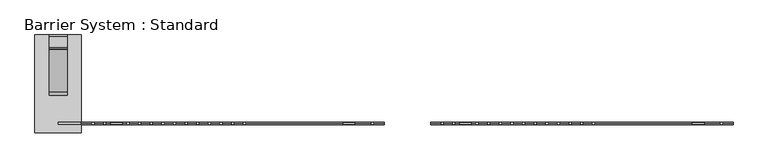
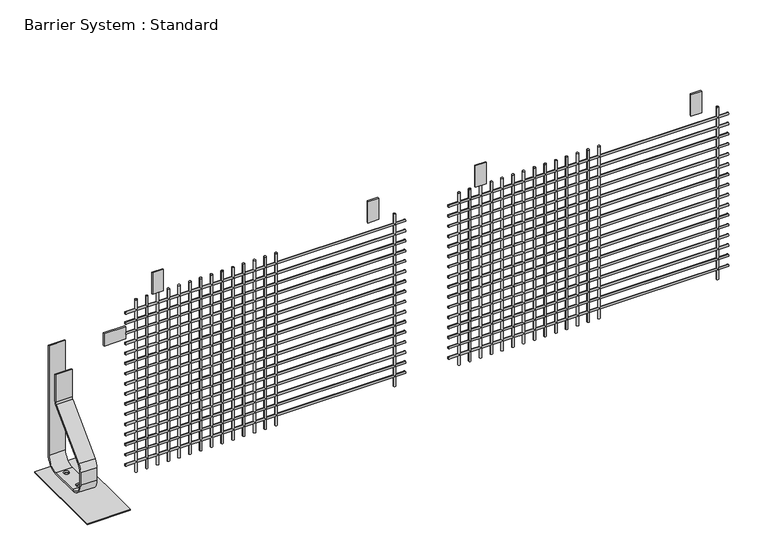
"""IFC4 building model written with IfcOpenShell, lengths in millimetres: proxy geometry, Barrier System : Standard."""

import ifcopenshell
import ifcopenshell.guid

model = None  # the IFC model being written
_history = None  # IfcOwnerHistory: only IFC2X3 demands one
_inside = {}  # id of a spatial element -> (the spatial element, [elements in it])
_under = {}  # id of a project, library or spatial element -> (it, [spatial elements below it])
_declared = {}  # id of a project -> (the project, [libraries it declares])
_typed = {}  # id of a type object -> (the type object, [elements of that type])
_made_of = {}  # id of a material, layer set ... -> (it, [elements and type objects made of it])


def new_model(schema):
    """Start an empty IFC model of exactly this schema.

    Asked for "IFC4X3", IfcOpenShell would pick the latest addendum, in which some entities
    have other attributes; the version numbers below select the first issue.
    IFC2X3 requires an IfcOwnerHistory on every rooted entity: one is made here for all.
    """
    global model, _history
    if schema == "IFC4X3":
        model = ifcopenshell.file(schema_version=(4, 3, 0, 0))
    else:
        model = ifcopenshell.file(schema=schema)
    _inside.clear()
    _under.clear()
    _declared.clear()
    _typed.clear()
    _made_of.clear()
    _history = None
    if model.schema == "IFC2X3":
        org = make("IfcOrganization", Name="unknown")
        user = make(
            "IfcPersonAndOrganization",
            ThePerson=make("IfcPerson", FamilyName="unknown"),
            TheOrganization=org,
        )
        app = make(
            "IfcApplication",
            ApplicationDeveloper=org,
            Version="unknown",
            ApplicationFullName="unknown",
            ApplicationIdentifier="unknown",
        )
        _history = make(
            "IfcOwnerHistory",
            OwningUser=user,
            OwningApplication=app,
            ChangeAction="ADDED",
            CreationDate=0,
        )
    return model


def make(cls, **values):
    """One entity of the class cls with the attributes given. An attribute that is None is left unset."""
    return model.create_entity(
        cls, **{name: value for name, value in values.items() if value is not None}
    )


def rooted(cls, **values):
    """An entity with a GlobalId (a new one), such as an element, a storey or a relation."""
    return make(cls, GlobalId=ifcopenshell.guid.new(), OwnerHistory=_history, **values)


def si_unit(unit_type, name, prefix=None):
    """IfcSIUnit, for example si_unit("LENGTHUNIT", "METRE", prefix="MILLI")."""
    return make("IfcSIUnit", UnitType=unit_type, Prefix=prefix, Name=name)


def assignment(units):
    """IfcUnitAssignment: the units of a project."""
    return None if units is None else make("IfcUnitAssignment", Units=units)


def point(xyz):
    """IfcCartesianPoint."""
    return None if xyz is None else make("IfcCartesianPoint", Coordinates=xyz)


def direction(xyz):
    """IfcDirection."""
    return None if xyz is None else make("IfcDirection", DirectionRatios=xyz)


def frame(location, z_axis=None, x_axis=None):
    """IfcAxis2Placement3D, a coordinate frame: its origin and axes. An axis left out is left unset."""
    return make(
        "IfcAxis2Placement3D",
        Location=point(location),
        Axis=direction(z_axis),
        RefDirection=direction(x_axis),
    )


def frame_2d(location, x_axis=None):
    """IfcAxis2Placement2D, a coordinate frame in the plane: its origin and x axis."""
    return make(
        "IfcAxis2Placement2D", Location=point(location), RefDirection=direction(x_axis)
    )


def origin():
    """The frame at (0, 0, 0) with its axes left unset."""
    return frame((0.0, 0.0, 0.0))


def origin_with_axes():
    """The frame at (0, 0, 0) with the z axis (0, 0, 1) and the x axis (1, 0, 0) written out."""
    return frame((0.0, 0.0, 0.0), z_axis=(0.0, 0.0, 1.0), x_axis=(1.0, 0.0, 0.0))


def place(relative_to, where):
    """IfcLocalPlacement: puts the frame where relative to a parent placement (None: the world)."""
    return make(
        "IfcLocalPlacement", PlacementRelTo=relative_to, RelativePlacement=where
    )


def context(
    kind, dimensions, precision=None, world=None, true_north=None, identifier=None
):
    """IfcGeometricRepresentationContext, for example the 3D "Model" context."""
    return make(
        "IfcGeometricRepresentationContext",
        ContextIdentifier=identifier,
        ContextType=kind,
        CoordinateSpaceDimension=dimensions,
        Precision=precision,
        WorldCoordinateSystem=world,
        TrueNorth=true_north,
    )


def project(units=None, contexts=None):
    """IfcProject with its units and contexts."""
    return rooted(
        "IfcProject",
        Name="project",
        RepresentationContexts=contexts,
        UnitsInContext=assignment(units),
    )


def spatial(cls, under=None, at=None, **own):
    """A site, building, storey or space (cls), placed at a placement, below another one or the project."""
    s = rooted(cls, ObjectPlacement=at, **own)
    if under is not None:
        _under.setdefault(under.id(), (under, []))[1].append(s)
    return s


def polyline(points):
    """IfcPolyline through the points."""
    return make("IfcPolyline", Points=[point(p) for p in points])


def circle_curve(where, radius):
    """IfcCircle in the frame where."""
    return make("IfcCircle", Position=where, Radius=radius)


def trimmed(basis, trim1, trim2, sense, master):
    """IfcTrimmedCurve: the piece of a basis curve between two trims."""
    return make(
        "IfcTrimmedCurve",
        BasisCurve=basis,
        Trim1=trim1,
        Trim2=trim2,
        SenseAgreement=sense,
        MasterRepresentation=master,
    )


def segment(curve, same_sense, transition):
    """IfcCompositeCurveSegment."""
    return make(
        "IfcCompositeCurveSegment",
        Transition=transition,
        SameSense=same_sense,
        ParentCurve=curve,
    )


def composite_curve(segments, self_intersect=None):
    """IfcCompositeCurve: segments joined end to end."""
    return make("IfcCompositeCurve", Segments=segments, SelfIntersect=self_intersect)


def outline(outer, holes=None, kind="AREA"):
    """IfcArbitraryClosedProfileDef: a profile drawn as a closed curve; with holes, ...WithVoids."""
    if holes is None:
        return make("IfcArbitraryClosedProfileDef", ProfileType=kind, OuterCurve=outer)
    return make(
        "IfcArbitraryProfileDefWithVoids",
        ProfileType=kind,
        OuterCurve=outer,
        InnerCurves=holes,
    )


def extrude(swept, where, along, depth):
    """IfcExtrudedAreaSolid: the profile swept, set in the frame where, extruded along a direction by depth."""
    return make(
        "IfcExtrudedAreaSolid",
        SweptArea=swept,
        Position=where,
        ExtrudedDirection=direction(along),
        Depth=depth,
    )


def shape(context_of_items, identifier, shape_type, items):
    """IfcShapeRepresentation: the items that make up one representation, for example the "Body"."""
    return make(
        "IfcShapeRepresentation",
        ContextOfItems=context_of_items,
        RepresentationIdentifier=identifier,
        RepresentationType=shape_type,
        Items=items,
    )


def source(mapping_origin, context_of_items, identifier, shape_type, items):
    """IfcRepresentationMap: a shape defined once, which mapped items show again and again."""
    return make(
        "IfcRepresentationMap",
        MappingOrigin=mapping_origin,
        MappedRepresentation=shape(context_of_items, identifier, shape_type, items),
    )


def transform(
    local_origin,
    x_axis=None,
    y_axis=None,
    z_axis=None,
    scale=None,
    scale2=None,
    scale3=None,
    uniform=True,
):
    """IfcCartesianTransformationOperator3D, or its non-uniform kind. x_axis, y_axis, z_axis: its Axis1, 2, 3."""
    if uniform:
        return make(
            "IfcCartesianTransformationOperator3D",
            Axis1=direction(x_axis),
            Axis2=direction(y_axis),
            LocalOrigin=point(local_origin),
            Scale=scale,
            Axis3=direction(z_axis),
        )
    return make(
        "IfcCartesianTransformationOperator3DnonUniform",
        Axis1=direction(x_axis),
        Axis2=direction(y_axis),
        LocalOrigin=point(local_origin),
        Scale=scale,
        Axis3=direction(z_axis),
        Scale2=scale2,
        Scale3=scale3,
    )


def mapped(mapping_source, mapping_target):
    """IfcMappedItem: shows the shape of a source again, moved by a transform."""
    return make(
        "IfcMappedItem", MappingSource=mapping_source, MappingTarget=mapping_target
    )


def made_of(thing, what):
    """Note that an element or type object is made of a material, layer set ...; save() writes the relation."""
    if what is not None:
        _made_of.setdefault(what.id(), (what, []))[1].append(thing)
    return thing


def element(
    cls,
    number,
    at=None,
    inside=None,
    cuts=None,
    type_object=None,
    material=None,
    context=None,
    identifier="Body",
    shape_type=None,
    held_by="IfcProductDefinitionShape",
    body=None,
    shapes=None,
    **own,
):
    """One element of the class cls, such as IfcWall. Its Tag is "e" and its number.

    at: its placement. inside: the storey or other place that contains it. cuts: it is an
    opening in that element (IfcRelVoidsElement). A single representation is given by context,
    identifier, shape_type and body (its items); several are given by shapes. held_by: the class
    of the entity that holds the representations. save() writes the other relations.
    """
    e = rooted(cls, Tag="e%d" % number, ObjectPlacement=at, **own)
    if body is not None:
        shapes = [shape(context, identifier, shape_type, body)]
    if shapes is not None:
        e.Representation = make(held_by, Representations=shapes)
    if inside is not None:
        _inside.setdefault(inside.id(), (inside, []))[1].append(e)
    if cuts is not None:
        rooted(
            "IfcRelVoidsElement", RelatingBuildingElement=cuts, RelatedOpeningElement=e
        )
    if type_object is not None:
        _typed.setdefault(type_object.id(), (type_object, []))[1].append(e)
    return made_of(e, material)


def aggregate(whole, parts):
    """IfcRelAggregates: a whole, such as a stair, and the parts it consists of."""
    return rooted("IfcRelAggregates", RelatingObject=whole, RelatedObjects=parts)


def save(model, path):
    """Write the relations noted so far, then the file.

    IfcRelAggregates (storeys below a building ...), IfcRelContainedInSpatialStructure (elements
    in a storey), IfcRelDefinesByType, IfcRelAssociatesMaterial and IfcRelDeclares: one each for
    every whole, place, type object, material and project.
    """
    for whole, parts in _under.values():
        aggregate(whole, parts)
    for where, things in _inside.values():
        rooted(
            "IfcRelContainedInSpatialStructure",
            RelatedElements=things,
            RelatingStructure=where,
        )
    for kind, things in _typed.values():
        rooted("IfcRelDefinesByType", RelatedObjects=things, RelatingType=kind)
    for what, things in _made_of.values():
        rooted("IfcRelAssociatesMaterial", RelatedObjects=things, RelatingMaterial=what)
    for by, libraries in _declared.values():
        rooted("IfcRelDeclares", RelatingContext=by, RelatedDefinitions=libraries)
    model.write(path)


def plane_surface(at):
    """IfcPlane: the flat surface through the origin of the frame at, square to its z axis."""
    return make("IfcPlane", Position=at)


def cylinder_surface(at, radius):
    """IfcCylindricalSurface: all points at the distance radius from the z axis of the frame at."""
    return make("IfcCylindricalSurface", Position=at, Radius=radius)


def revolved_surface(curve, axis_point, axis_direction):
    """IfcSurfaceOfRevolution: the curve turned about the line through axis_point along axis_direction."""
    return make(
        "IfcSurfaceOfRevolution",
        SweptCurve=make("IfcArbitraryOpenProfileDef", ProfileType="CURVE", Curve=curve),
        AxisPosition=make("IfcAxis1Placement", Location=point(axis_point), Axis=direction(axis_direction)),
    )


def advanced_brep(points, edges, surfaces, faces):
    """IfcAdvancedBrep: a solid bounded by faces that lie on surfaces and meet in shared edges.

    An edge is (start, end): straight between two places in points (the first is 0);
    or (start, end, curve); or (start, end, curve, False) where it runs against its curve.
    A face is (place in surfaces, loops), or (place, loops, False) where it looks against
    its surface's normal. A loop lists edges by number (the first is 1), with a minus sign
    where the edge is run from its end to its start. The first loop is the outer one.
    """
    corners = [point(p) for p in points]
    vertices = [make("IfcVertexPoint", VertexGeometry=c) for c in corners]
    made = []
    for start, end, *more in edges:
        made.append(
            make(
                "IfcEdgeCurve",
                EdgeStart=vertices[start],
                EdgeEnd=vertices[end],
                EdgeGeometry=more[0] if more else make("IfcPolyline", Points=[corners[start], corners[end]]),
                SameSense=more[1] if len(more) > 1 else True,
            )
        )
    hull = []
    for where, loops, *sense in faces:
        bounds = []
        for j, loop in enumerate(loops):
            ring = [make("IfcOrientedEdge", EdgeElement=made[abs(k) - 1], Orientation=k > 0) for k in loop]
            bounds.append(
                make(
                    "IfcFaceOuterBound" if j == 0 else "IfcFaceBound",
                    Bound=make("IfcEdgeLoop", EdgeList=ring),
                    Orientation=True,
                )
            )
        hull.append(make("IfcAdvancedFace", Bounds=bounds, FaceSurface=surfaces[where], SameSense=sense[0] if sense else True))
    return make("IfcAdvancedBrep", Outer=make("IfcClosedShell", CfsFaces=hull))


def barrier_system_standard_bc619154(model_context):
    return source(origin(), model_context, "Body", "SolidModel", [
        advanced_brep(
        [(38.0, 374.0, 606.0), (38.0, 380.0, 606.0), (-38.0, 380.0, 606.0), (-38.0, 374.0, 606.0), (-38.0, 374.0, 69.0), (38.0, 374.0, 69.0), (-38.0, 380.0, 69.0), (-38.0, 320.0, 9.0), (-38.0, 185.0, 9.0), (-38.0, 120.0, 74.0), (-38.0, 120.0, 135.2893219), (-38.0, 134.6446609, 170.6446609), (-38.0, 315.6066017, 351.6066017), (-38.0, 320.0, 362.2132034), (-38.0, 320.0, 496.0), (-38.0, 326.0, 496.0), (-38.0, 326.0, 362.2132034), (-38.0, 319.8492424, 347.363961), (-38.0, 138.8873016, 166.4020203), (-38.0, 126.0, 135.2893219), (-38.0, 126.0, 74.0), (-38.0, 185.0, 15.0), (-38.0, 320.0, 15.0), (38.0, 380.0, 69.0), (38.0, 320.0, 15.0), (38.0, 185.0, 15.0), (38.0, 126.0, 74.0), (38.0, 126.0, 135.2893219), (38.0, 138.8873016, 166.4020203), (38.0, 319.8492424, 347.363961), (38.0, 326.0, 362.2132034), (38.0, 326.0, 496.0), (38.0, 320.0, 496.0), (38.0, 320.0, 362.2132034), (38.0, 315.6066017, 351.6066017), (38.0, 134.6446609, 170.6446609), (38.0, 120.0, 135.2893219), (38.0, 120.0, 74.0), (38.0, 185.0, 9.0), (38.0, 320.0, 9.0), (12.0, 300.0, 15.0), (-12.0, 300.0, 15.0), (12.0, 200.0, 15.0), (-12.0, 200.0, 15.0), (-12.0, 300.0, 9.0), (12.0, 300.0, 9.0), (-12.0, 200.0, 9.0), (12.0, 200.0, 9.0)],
        [
            (0, 1),
            (1, 2),
            (2, 3),
            (3, 0),
            (3, 4),
            (4, 5),
            (5, 0),
            (2, 6),
            (6, 7, circle_curve(frame((-38.0, 320.0, 69.0), z_axis=(-1.0, 0.0, 0.0), x_axis=(0.0, 1.0, 0.0)), 60.0)),
            (7, 8),
            (8, 9, circle_curve(frame((-38.0, 185.0, 74.0), z_axis=(-1.0, 0.0, 0.0), x_axis=(0.0, 0.0, -1.0)), 65.0)),
            (9, 10),
            (10, 11, circle_curve(frame((-38.0, 170.0, 135.2893219), z_axis=(-1.0, 0.0, 0.0), x_axis=(0.0, -1.0, 0.0)), 50.0)),
            (11, 12),
            (12, 13, circle_curve(frame((-38.0, 305.0, 362.2132034), z_axis=(1.0, 0.0, 0.0), x_axis=(0.0, 0.7071067811865497, -0.7071067811865455)), 15.0)),
            (13, 14),
            (14, 15),
            (15, 16),
            (16, 17, circle_curve(frame((-38.0, 305.0, 362.2132034), z_axis=(-1.0, 0.0, 0.0), x_axis=(0.0, 0.7071067811865497, -0.7071067811865455)), 21.0)),
            (17, 18),
            (18, 19, circle_curve(frame((-38.0, 170.0, 135.2893219), z_axis=(1.0, 0.0, 0.0), x_axis=(0.0, -1.0, 0.0)), 44.0)),
            (19, 20),
            (20, 21, circle_curve(frame((-38.0, 185.0, 74.0), z_axis=(1.0, 0.0, 0.0), x_axis=(0.0, 0.0, -1.0)), 59.0)),
            (21, 22),
            (22, 4, circle_curve(frame((-38.0, 320.0, 69.0), z_axis=(1.0, 0.0, 0.0), x_axis=(0.0, 1.0, 0.0)), 54.0)),
            (1, 23),
            (23, 6),
            (5, 24, circle_curve(frame((38.0, 320.0, 69.0), z_axis=(-1.0, 0.0, 0.0), x_axis=(0.0, 1.0, 0.0)), 54.0)),
            (24, 25),
            (25, 26, circle_curve(frame((38.0, 185.0, 74.0), z_axis=(-1.0, 0.0, 0.0), x_axis=(0.0, 0.0, -1.0)), 59.0)),
            (26, 27),
            (27, 28, circle_curve(frame((38.0, 170.0, 135.2893219), z_axis=(-1.0, 0.0, 0.0), x_axis=(0.0, -1.0, 0.0)), 44.0)),
            (28, 29),
            (29, 30, circle_curve(frame((38.0, 305.0, 362.2132034), z_axis=(1.0, 0.0, 0.0), x_axis=(0.0, 0.7071067811865497, -0.7071067811865455)), 21.0)),
            (30, 31),
            (31, 32),
            (32, 33),
            (33, 34, circle_curve(frame((38.0, 305.0, 362.2132034), z_axis=(-1.0, 0.0, 0.0), x_axis=(0.0, 0.7071067811865497, -0.7071067811865455)), 15.0)),
            (34, 35),
            (35, 36, circle_curve(frame((38.0, 170.0, 135.2893219), z_axis=(1.0, 0.0, 0.0), x_axis=(0.0, -1.0, 0.0)), 50.0)),
            (36, 37),
            (37, 38, circle_curve(frame((38.0, 185.0, 74.0), z_axis=(1.0, 0.0, 0.0), x_axis=(0.0, 0.0, -1.0)), 65.0)),
            (38, 39),
            (39, 23, circle_curve(frame((38.0, 320.0, 69.0), z_axis=(1.0, 0.0, 0.0), x_axis=(0.0, 1.0, 0.0)), 60.0)),
            (22, 24),
            (39, 7),
            (21, 25),
            (40, 41, circle_curve(frame((0.0, 300.0, 15.0), z_axis=(0.0, 0.0, -1.0), x_axis=(1.0, 0.0, 0.0)), 12.0)),
            (41, 40, circle_curve(frame((0.0, 300.0, 15.0), z_axis=(0.0, 0.0, -1.0), x_axis=(1.0, 0.0, 0.0)), 12.0)),
            (42, 43, circle_curve(frame((0.0, 200.0, 15.0), z_axis=(0.0, 0.0, -1.0), x_axis=(1.0, 0.0, 0.0)), 12.0)),
            (43, 42, circle_curve(frame((0.0, 200.0, 15.0), z_axis=(0.0, 0.0, -1.0), x_axis=(1.0, 0.0, 0.0)), 12.0)),
            (38, 8),
            (44, 45, circle_curve(frame((0.0, 300.0, 9.0), z_axis=(0.0, 0.0, 1.0), x_axis=(1.0, 0.0, 0.0)), 12.0)),
            (45, 44, circle_curve(frame((0.0, 300.0, 9.0), z_axis=(0.0, 0.0, 1.0), x_axis=(1.0, 0.0, 0.0)), 12.0)),
            (46, 47, circle_curve(frame((0.0, 200.0, 9.0), z_axis=(0.0, 0.0, 1.0), x_axis=(1.0, 0.0, 0.0)), 12.0)),
            (47, 46, circle_curve(frame((0.0, 200.0, 9.0), z_axis=(0.0, 0.0, 1.0), x_axis=(1.0, 0.0, 0.0)), 12.0)),
            (20, 26),
            (37, 9),
            (19, 27),
            (36, 10),
            (18, 28),
            (35, 11),
            (17, 29),
            (34, 12),
            (16, 30),
            (33, 13),
            (14, 32),
            (31, 15),
            (41, 44),
            (45, 40),
            (43, 46),
            (47, 42),
        ],
        [
            plane_surface(frame((0.0, 380.0, 606.0), z_axis=(0.0, 0.0, 1.0), x_axis=(1.0, 0.0, 0.0))),
            plane_surface(frame((38.0, 374.0, 606.0), z_axis=(0.0, -1.0, 0.0), x_axis=(0.0, 0.0, -1.0))),
            plane_surface(frame((-38.0, 374.0, 606.0), z_axis=(-1.0, 0.0, 0.0), x_axis=(0.0, 0.0, -1.0))),
            plane_surface(frame((-38.0, 380.0, 606.0), z_axis=(0.0, 1.0, 0.0), x_axis=(0.0, 0.0, -1.0))),
            plane_surface(frame((38.0, 380.0, 606.0), z_axis=(1.0, 0.0, 0.0), x_axis=(0.0, 0.0, -1.0))),
            revolved_surface(polyline([(38.0, 374.0, 69.0), (-38.0, 374.0, 69.0)]), (0.0, 320.0, 69.0), (1.0, 0.0, 0.0)),
            cylinder_surface(frame((0.0, 320.0, 69.0), z_axis=(1.0, 0.0, 0.0), x_axis=(0.0, 1.0, 0.0)), 60.0),
            plane_surface(frame((38.0, 320.0, 15.0), z_axis=(0.0, 0.0, 1.0), x_axis=(0.0, -1.0, 0.0))),
            plane_surface(frame((-38.0, 320.0, 9.0), z_axis=(0.0, 0.0, -1.0), x_axis=(0.0, -1.0, 0.0))),
            revolved_surface(polyline([(38.0, 185.0, 15.0), (-38.0, 185.0, 15.0)]), (0.0, 185.0, 74.0), (1.0, 0.0, 0.0)),
            cylinder_surface(frame((0.0, 185.0, 74.0), z_axis=(1.0, 0.0, 0.0), x_axis=(0.0, 0.0, -1.0)), 65.0),
            plane_surface(frame((38.0, 126.0, 74.0), z_axis=(0.0, 1.0, 0.0), x_axis=(0.0, 0.0, 1.0))),
            plane_surface(frame((-38.0, 120.0, 74.0), z_axis=(0.0, -1.0, 0.0), x_axis=(0.0, 0.0, 1.0))),
            revolved_surface(polyline([(38.0, 126.0, 135.2893219), (-38.0, 126.0, 135.2893219)]), (0.0, 170.0, 135.2893219), (1.0, 0.0, 0.0)),
            cylinder_surface(frame((0.0, 170.0, 135.2893219), z_axis=(1.0, 0.0, 0.0), x_axis=(0.0, -1.0, 0.0)), 50.0),
            plane_surface(frame((38.0, 138.8873016, 166.4020203), z_axis=(0.0, 0.7071067811865492, -0.7071067811865459), x_axis=(0.0, 0.7071067811865459, 0.7071067811865492))),
            plane_surface(frame((-38.0, 134.6446609, 170.6446609), z_axis=(0.0, -0.707106781186549, 0.707106781186546), x_axis=(0.0, 0.707106781186546, 0.707106781186549))),
            cylinder_surface(frame((0.0, 305.0, 362.2132034), z_axis=(-1.0, 0.0, 0.0), x_axis=(0.0, 0.7071067811865497, -0.7071067811865455)), 21.0),
            revolved_surface(polyline([(-38.0, 315.60660171779824, 351.6066016822018), (38.0, 315.60660171779824, 351.6066016822018)]), (0.0, 305.0, 362.2132034), (-1.0, 0.0, 0.0)),
            plane_surface(frame((0.0, 320.0, 496.0), z_axis=(0.0, 0.0, 1.0), x_axis=(1.0, 0.0, 0.0))),
            plane_surface(frame((38.0, 326.0, 362.2132034), z_axis=(0.0, 1.0, 0.0), x_axis=(0.0, 0.0, 1.0))),
            plane_surface(frame((-38.0, 320.0, 362.2132034), z_axis=(0.0, -1.0, 0.0), x_axis=(0.0, 0.0, 1.0))),
            revolved_surface(polyline([(12.0, 300.0, 15.0), (12.0, 300.0, 9.0)]), (0.0, 300.0, 9.0), (0.0, 0.0, 1.0)),
            revolved_surface(polyline([(12.0, 200.0, 15.0), (12.0, 200.0, 9.0)]), (0.0, 200.0, 0.0), (0.0, 0.0, 1.0)),
        ],
        [
            (0, [[1, 2, 3, 4]]),
            (1, [[5, 6, 7, -4]]),
            (2, [[8, 9, 10, 11, 12, 13, 14, 15, 16, 17, 18, 19, 20, 21, 22, 23, 24, 25, -5, -3]]),
            (3, [[26, 27, -8, -2]]),
            (4, [[-7, 28, 29, 30, 31, 32, 33, 34, 35, 36, 37, 38, 39, 40, 41, 42, 43, 44, -26, -1]]),
            (5, [[-25, 45, -28, -6]]),
            (6, [[-27, -44, 46, -9]]),
            (7, [[47, -29, -45, -24], [48, 49], [50, 51]]),
            (8, [[-46, -43, 52, -10], [53, 54], [55, 56]]),
            (9, [[57, -30, -47, -23]]),
            (10, [[-52, -42, 58, -11]]),
            (11, [[59, -31, -57, -22]]),
            (12, [[-58, -41, 60, -12]]),
            (13, [[61, -32, -59, -21]]),
            (14, [[-60, -40, 62, -13]]),
            (15, [[63, -33, -61, -20]]),
            (16, [[-62, -39, 64, -14]]),
            (17, [[65, -34, -63, -19]]),
            (18, [[-64, -38, 66, -15]]),
            (19, [[67, -36, 68, -17]]),
            (20, [[-68, -35, -65, -18]]),
            (21, [[-66, -37, -67, -16]]),
            (22, [[-49, 69, -54, 70]]),
            (22, [[-53, -69, -48, -70]]),
            (23, [[-51, 71, -56, 72]]),
            (23, [[-55, -71, -50, -72]]),
        ],
    ),
        extrude(outline(polyline([(100.0, -40.0), (-100.0, -40.0), (-100.0, 380.0), (100.0, 380.0), (100.0, -40.0)]), holes=[composite_curve([segment(trimmed(circle_curve(frame_2d((0.0, 200.0)), 10.0), [point((-10.0, 200.0))], [point((10.0, 200.0))], True, "CARTESIAN"), True, "CONTINUOUS"), segment(trimmed(circle_curve(frame_2d((0.0, 200.0)), 10.0), [point((10.0, 200.0))], [point((-10.0, 200.0))], True, "CARTESIAN"), True, "CONTINUOUS")], self_intersect=False), composite_curve([segment(trimmed(circle_curve(frame_2d((0.0, 300.0)), 10.0), [point((-10.0, 300.0))], [point((10.0, 300.0))], True, "CARTESIAN"), True, "CONTINUOUS"), segment(trimmed(circle_curve(frame_2d((0.0, 300.0)), 10.0), [point((10.0, 300.0))], [point((-10.0, 300.0))], True, "CARTESIAN"), True, "CONTINUOUS")], self_intersect=False)]), origin_with_axes(), (0.0, 0.0, 1.0), 6.0),
        extrude(outline(polyline([(100.0, -4.0), (0.0, -4.0), (0.0, 4.0), (100.0, 4.0), (100.0, -4.0)])), frame((0.0, 0.0, 820.2941176), z_axis=(0.0, 0.0, 1.0), x_axis=(1.0, 0.0, 0.0)), (0.0, 0.0, 1.0), 60.0),
        extrude(outline(polyline([(2775.0, -3.0), (2725.0, -3.0), (2725.0, 3.0), (2775.0, 3.0), (2775.0, -3.0)])), frame((0.0, 0.0, 995.0), z_axis=(0.0, 0.0, 1.0), x_axis=(1.0, 0.0, 0.0)), (0.0, 0.0, 1.0), 105.0),
        extrude(outline(polyline([(1775.0, -3.0), (1725.0, -3.0), (1725.0, 3.0), (1775.0, 3.0), (1775.0, -3.0)])), frame((0.0, 0.0, 995.0), z_axis=(0.0, 0.0, 1.0), x_axis=(1.0, 0.0, 0.0)), (0.0, 0.0, 1.0), 105.0),
        extrude(outline(polyline([(1275.0, -3.0), (1225.0, -3.0), (1225.0, 3.0), (1275.0, 3.0), (1275.0, -3.0)])), frame((0.0, 0.0, 995.0), z_axis=(0.0, 0.0, 1.0), x_axis=(1.0, 0.0, 0.0)), (0.0, 0.0, 1.0), 105.0),
        extrude(outline(polyline([(275.0, -3.0), (225.0, -3.0), (225.0, 3.0), (275.0, 3.0), (275.0, -3.0)])), frame((0.0, 0.0, 995.0), z_axis=(0.0, 0.0, 1.0), x_axis=(1.0, 0.0, 0.0)), (0.0, 0.0, 1.0), 105.0),
        extrude(outline(composite_curve([segment(trimmed(circle_curve(frame_2d((0.0, 249.4117647)), 5.0), [point((0.0, 244.4117647))], [point((0.0, 254.4117647))], False, "CARTESIAN"), True, "CONTINUOUS"), segment(trimmed(circle_curve(frame_2d((0.0, 249.4117647)), 5.0), [point((0.0, 254.4117647))], [point((0.0, 244.4117647))], False, "CARTESIAN"), True, "CONTINUOUS")], self_intersect=False)), frame((1600.0, 0.0, 0.0), z_axis=(1.0, 0.0, 0.0), x_axis=(0.0, 1.0, 0.0)), (0.0, 0.0, 1.0), 1300.0),
        extrude(outline(composite_curve([segment(trimmed(circle_curve(frame_2d((0.0, 299.1176471)), 5.0), [point((0.0, 294.1176471))], [point((0.0, 304.1176471))], False, "CARTESIAN"), True, "CONTINUOUS"), segment(trimmed(circle_curve(frame_2d((0.0, 299.1176471)), 5.0), [point((0.0, 304.1176471))], [point((0.0, 294.1176471))], False, "CARTESIAN"), True, "CONTINUOUS")], self_intersect=False)), frame((1600.0, 0.0, 0.0), z_axis=(1.0, 0.0, 0.0), x_axis=(0.0, 1.0, 0.0)), (0.0, 0.0, 1.0), 1300.0),
        extrude(outline(composite_curve([segment(trimmed(circle_curve(frame_2d((0.0, 348.8235294)), 5.0), [point((0.0, 343.8235294))], [point((0.0, 353.8235294))], False, "CARTESIAN"), True, "CONTINUOUS"), segment(trimmed(circle_curve(frame_2d((0.0, 348.8235294)), 5.0), [point((0.0, 353.8235294))], [point((0.0, 343.8235294))], False, "CARTESIAN"), True, "CONTINUOUS")], self_intersect=False)), frame((1600.0, 0.0, 0.0), z_axis=(1.0, 0.0, 0.0), x_axis=(0.0, 1.0, 0.0)), (0.0, 0.0, 1.0), 1300.0),
        extrude(outline(composite_curve([segment(trimmed(circle_curve(frame_2d((0.0, 398.5294118)), 5.0), [point((0.0, 393.5294118))], [point((0.0, 403.5294118))], False, "CARTESIAN"), True, "CONTINUOUS"), segment(trimmed(circle_curve(frame_2d((0.0, 398.5294118)), 5.0), [point((0.0, 403.5294118))], [point((0.0, 393.5294118))], False, "CARTESIAN"), True, "CONTINUOUS")], self_intersect=False)), frame((1600.0, 0.0, 0.0), z_axis=(1.0, 0.0, 0.0), x_axis=(0.0, 1.0, 0.0)), (0.0, 0.0, 1.0), 1300.0),
        extrude(outline(composite_curve([segment(trimmed(circle_curve(frame_2d((0.0, 448.2352941)), 5.0), [point((0.0, 443.2352941))], [point((0.0, 453.2352941))], False, "CARTESIAN"), True, "CONTINUOUS"), segment(trimmed(circle_curve(frame_2d((0.0, 448.2352941)), 5.0), [point((0.0, 453.2352941))], [point((0.0, 443.2352941))], False, "CARTESIAN"), True, "CONTINUOUS")], self_intersect=False)), frame((1600.0, 0.0, 0.0), z_axis=(1.0, 0.0, 0.0), x_axis=(0.0, 1.0, 0.0)), (0.0, 0.0, 1.0), 1300.0),
        extrude(outline(composite_curve([segment(trimmed(circle_curve(frame_2d((0.0, 497.9411765)), 5.0), [point((0.0, 492.9411765))], [point((0.0, 502.9411765))], False, "CARTESIAN"), True, "CONTINUOUS"), segment(trimmed(circle_curve(frame_2d((0.0, 497.9411765)), 5.0), [point((0.0, 502.9411765))], [point((0.0, 492.9411765))], False, "CARTESIAN"), True, "CONTINUOUS")], self_intersect=False)), frame((1600.0, 0.0, 0.0), z_axis=(1.0, 0.0, 0.0), x_axis=(0.0, 1.0, 0.0)), (0.0, 0.0, 1.0), 1300.0),
        extrude(outline(composite_curve([segment(trimmed(circle_curve(frame_2d((0.0, 547.6470588)), 5.0), [point((0.0, 542.6470588))], [point((0.0, 552.6470588))], False, "CARTESIAN"), True, "CONTINUOUS"), segment(trimmed(circle_curve(frame_2d((0.0, 547.6470588)), 5.0), [point((0.0, 552.6470588))], [point((0.0, 542.6470588))], False, "CARTESIAN"), True, "CONTINUOUS")], self_intersect=False)), frame((1600.0, 0.0, 0.0), z_axis=(1.0, 0.0, 0.0), x_axis=(0.0, 1.0, 0.0)), (0.0, 0.0, 1.0), 1300.0),
        extrude(outline(composite_curve([segment(trimmed(circle_curve(frame_2d((0.0, 597.3529412)), 5.0), [point((0.0, 592.3529412))], [point((0.0, 602.3529412))], False, "CARTESIAN"), True, "CONTINUOUS"), segment(trimmed(circle_curve(frame_2d((0.0, 597.3529412)), 5.0), [point((0.0, 602.3529412))], [point((0.0, 592.3529412))], False, "CARTESIAN"), True, "CONTINUOUS")], self_intersect=False)), frame((1600.0, 0.0, 0.0), z_axis=(1.0, 0.0, 0.0), x_axis=(0.0, 1.0, 0.0)), (0.0, 0.0, 1.0), 1300.0),
        extrude(outline(composite_curve([segment(trimmed(circle_curve(frame_2d((0.0, 647.0588235)), 5.0), [point((0.0, 642.0588235))], [point((0.0, 652.0588235))], False, "CARTESIAN"), True, "CONTINUOUS"), segment(trimmed(circle_curve(frame_2d((0.0, 647.0588235)), 5.0), [point((0.0, 652.0588235))], [point((0.0, 642.0588235))], False, "CARTESIAN"), True, "CONTINUOUS")], self_intersect=False)), frame((1600.0, 0.0, 0.0), z_axis=(1.0, 0.0, 0.0), x_axis=(0.0, 1.0, 0.0)), (0.0, 0.0, 1.0), 1300.0),
        extrude(outline(composite_curve([segment(trimmed(circle_curve(frame_2d((0.0, 696.7647059)), 5.0), [point((0.0, 691.7647059))], [point((0.0, 701.7647059))], False, "CARTESIAN"), True, "CONTINUOUS"), segment(trimmed(circle_curve(frame_2d((0.0, 696.7647059)), 5.0), [point((0.0, 701.7647059))], [point((0.0, 691.7647059))], False, "CARTESIAN"), True, "CONTINUOUS")], self_intersect=False)), frame((1600.0, 0.0, 0.0), z_axis=(1.0, 0.0, 0.0), x_axis=(0.0, 1.0, 0.0)), (0.0, 0.0, 1.0), 1300.0),
        extrude(outline(composite_curve([segment(trimmed(circle_curve(frame_2d((0.0, 746.4705882)), 5.0), [point((0.0, 741.4705882))], [point((0.0, 751.4705882))], False, "CARTESIAN"), True, "CONTINUOUS"), segment(trimmed(circle_curve(frame_2d((0.0, 746.4705882)), 5.0), [point((0.0, 751.4705882))], [point((0.0, 741.4705882))], False, "CARTESIAN"), True, "CONTINUOUS")], self_intersect=False)), frame((1600.0, 0.0, 0.0), z_axis=(1.0, 0.0, 0.0), x_axis=(0.0, 1.0, 0.0)), (0.0, 0.0, 1.0), 1300.0),
        extrude(outline(composite_curve([segment(trimmed(circle_curve(frame_2d((0.0, 796.1764706)), 5.0), [point((0.0, 791.1764706))], [point((0.0, 801.1764706))], False, "CARTESIAN"), True, "CONTINUOUS"), segment(trimmed(circle_curve(frame_2d((0.0, 796.1764706)), 5.0), [point((0.0, 801.1764706))], [point((0.0, 791.1764706))], False, "CARTESIAN"), True, "CONTINUOUS")], self_intersect=False)), frame((1600.0, 0.0, 0.0), z_axis=(1.0, 0.0, 0.0), x_axis=(0.0, 1.0, 0.0)), (0.0, 0.0, 1.0), 1300.0),
        extrude(outline(composite_curve([segment(trimmed(circle_curve(frame_2d((0.0, 845.8823529)), 5.0), [point((0.0, 840.8823529))], [point((0.0, 850.8823529))], False, "CARTESIAN"), True, "CONTINUOUS"), segment(trimmed(circle_curve(frame_2d((0.0, 845.8823529)), 5.0), [point((0.0, 850.8823529))], [point((0.0, 840.8823529))], False, "CARTESIAN"), True, "CONTINUOUS")], self_intersect=False)), frame((1600.0, 0.0, 0.0), z_axis=(1.0, 0.0, 0.0), x_axis=(0.0, 1.0, 0.0)), (0.0, 0.0, 1.0), 1300.0),
        extrude(outline(composite_curve([segment(trimmed(circle_curve(frame_2d((0.0, 895.5882353)), 5.0), [point((0.0, 890.5882353))], [point((0.0, 900.5882353))], False, "CARTESIAN"), True, "CONTINUOUS"), segment(trimmed(circle_curve(frame_2d((0.0, 895.5882353)), 5.0), [point((0.0, 900.5882353))], [point((0.0, 890.5882353))], False, "CARTESIAN"), True, "CONTINUOUS")], self_intersect=False)), frame((1600.0, 0.0, 0.0), z_axis=(1.0, 0.0, 0.0), x_axis=(0.0, 1.0, 0.0)), (0.0, 0.0, 1.0), 1300.0),
        extrude(outline(composite_curve([segment(trimmed(circle_curve(frame_2d((0.0, 199.7058824)), 5.0), [point((0.0, 194.7058824))], [point((0.0, 204.7058824))], False, "CARTESIAN"), True, "CONTINUOUS"), segment(trimmed(circle_curve(frame_2d((0.0, 199.7058824)), 5.0), [point((0.0, 204.7058824))], [point((0.0, 194.7058824))], False, "CARTESIAN"), True, "CONTINUOUS")], self_intersect=False)), frame((1600.0, 0.0, 0.0), z_axis=(1.0, 0.0, 0.0), x_axis=(0.0, 1.0, 0.0)), (0.0, 0.0, 1.0), 1300.0),
        extrude(outline(composite_curve([segment(trimmed(circle_curve(frame_2d((0.0, 945.2941176)), 5.0), [point((0.0, 940.2941176))], [point((0.0, 950.2941176))], False, "CARTESIAN"), True, "CONTINUOUS"), segment(trimmed(circle_curve(frame_2d((0.0, 945.2941176)), 5.0), [point((0.0, 950.2941176))], [point((0.0, 940.2941176))], False, "CARTESIAN"), True, "CONTINUOUS")], self_intersect=False)), frame((1600.0, 0.0, 0.0), z_axis=(1.0, 0.0, 0.0), x_axis=(0.0, 1.0, 0.0)), (0.0, 0.0, 1.0), 1300.0),
        extrude(outline(composite_curve([segment(trimmed(circle_curve(frame_2d((0.0, 249.4117647)), 5.0), [point((0.0, 244.4117647))], [point((0.0, 254.4117647))], False, "CARTESIAN"), True, "CONTINUOUS"), segment(trimmed(circle_curve(frame_2d((0.0, 249.4117647)), 5.0), [point((0.0, 254.4117647))], [point((0.0, 244.4117647))], False, "CARTESIAN"), True, "CONTINUOUS")], self_intersect=False)), frame((100.0, 0.0, 0.0), z_axis=(1.0, 0.0, 0.0), x_axis=(0.0, 1.0, 0.0)), (0.0, 0.0, 1.0), 1300.0),
        extrude(outline(composite_curve([segment(trimmed(circle_curve(frame_2d((0.0, 299.1176471)), 5.0), [point((0.0, 294.1176471))], [point((0.0, 304.1176471))], False, "CARTESIAN"), True, "CONTINUOUS"), segment(trimmed(circle_curve(frame_2d((0.0, 299.1176471)), 5.0), [point((0.0, 304.1176471))], [point((0.0, 294.1176471))], False, "CARTESIAN"), True, "CONTINUOUS")], self_intersect=False)), frame((100.0, 0.0, 0.0), z_axis=(1.0, 0.0, 0.0), x_axis=(0.0, 1.0, 0.0)), (0.0, 0.0, 1.0), 1300.0),
        extrude(outline(composite_curve([segment(trimmed(circle_curve(frame_2d((0.0, 348.8235294)), 5.0), [point((0.0, 343.8235294))], [point((0.0, 353.8235294))], False, "CARTESIAN"), True, "CONTINUOUS"), segment(trimmed(circle_curve(frame_2d((0.0, 348.8235294)), 5.0), [point((0.0, 353.8235294))], [point((0.0, 343.8235294))], False, "CARTESIAN"), True, "CONTINUOUS")], self_intersect=False)), frame((100.0, 0.0, 0.0), z_axis=(1.0, 0.0, 0.0), x_axis=(0.0, 1.0, 0.0)), (0.0, 0.0, 1.0), 1300.0),
        extrude(outline(composite_curve([segment(trimmed(circle_curve(frame_2d((0.0, 398.5294118)), 5.0), [point((0.0, 393.5294118))], [point((0.0, 403.5294118))], False, "CARTESIAN"), True, "CONTINUOUS"), segment(trimmed(circle_curve(frame_2d((0.0, 398.5294118)), 5.0), [point((0.0, 403.5294118))], [point((0.0, 393.5294118))], False, "CARTESIAN"), True, "CONTINUOUS")], self_intersect=False)), frame((100.0, 0.0, 0.0), z_axis=(1.0, 0.0, 0.0), x_axis=(0.0, 1.0, 0.0)), (0.0, 0.0, 1.0), 1300.0),
        extrude(outline(composite_curve([segment(trimmed(circle_curve(frame_2d((0.0, 448.2352941)), 5.0), [point((0.0, 443.2352941))], [point((0.0, 453.2352941))], False, "CARTESIAN"), True, "CONTINUOUS"), segment(trimmed(circle_curve(frame_2d((0.0, 448.2352941)), 5.0), [point((0.0, 453.2352941))], [point((0.0, 443.2352941))], False, "CARTESIAN"), True, "CONTINUOUS")], self_intersect=False)), frame((100.0, 0.0, 0.0), z_axis=(1.0, 0.0, 0.0), x_axis=(0.0, 1.0, 0.0)), (0.0, 0.0, 1.0), 1300.0),
        extrude(outline(composite_curve([segment(trimmed(circle_curve(frame_2d((0.0, 497.9411765)), 5.0), [point((0.0, 492.9411765))], [point((0.0, 502.9411765))], False, "CARTESIAN"), True, "CONTINUOUS"), segment(trimmed(circle_curve(frame_2d((0.0, 497.9411765)), 5.0), [point((0.0, 502.9411765))], [point((0.0, 492.9411765))], False, "CARTESIAN"), True, "CONTINUOUS")], self_intersect=False)), frame((100.0, 0.0, 0.0), z_axis=(1.0, 0.0, 0.0), x_axis=(0.0, 1.0, 0.0)), (0.0, 0.0, 1.0), 1300.0),
        extrude(outline(composite_curve([segment(trimmed(circle_curve(frame_2d((0.0, 547.6470588)), 5.0), [point((0.0, 542.6470588))], [point((0.0, 552.6470588))], False, "CARTESIAN"), True, "CONTINUOUS"), segment(trimmed(circle_curve(frame_2d((0.0, 547.6470588)), 5.0), [point((0.0, 552.6470588))], [point((0.0, 542.6470588))], False, "CARTESIAN"), True, "CONTINUOUS")], self_intersect=False)), frame((100.0, 0.0, 0.0), z_axis=(1.0, 0.0, 0.0), x_axis=(0.0, 1.0, 0.0)), (0.0, 0.0, 1.0), 1300.0),
        extrude(outline(composite_curve([segment(trimmed(circle_curve(frame_2d((0.0, 597.3529412)), 5.0), [point((0.0, 592.3529412))], [point((0.0, 602.3529412))], False, "CARTESIAN"), True, "CONTINUOUS"), segment(trimmed(circle_curve(frame_2d((0.0, 597.3529412)), 5.0), [point((0.0, 602.3529412))], [point((0.0, 592.3529412))], False, "CARTESIAN"), True, "CONTINUOUS")], self_intersect=False)), frame((100.0, 0.0, 0.0), z_axis=(1.0, 0.0, 0.0), x_axis=(0.0, 1.0, 0.0)), (0.0, 0.0, 1.0), 1300.0),
        extrude(outline(composite_curve([segment(trimmed(circle_curve(frame_2d((0.0, 647.0588235)), 5.0), [point((0.0, 642.0588235))], [point((0.0, 652.0588235))], False, "CARTESIAN"), True, "CONTINUOUS"), segment(trimmed(circle_curve(frame_2d((0.0, 647.0588235)), 5.0), [point((0.0, 652.0588235))], [point((0.0, 642.0588235))], False, "CARTESIAN"), True, "CONTINUOUS")], self_intersect=False)), frame((100.0, 0.0, 0.0), z_axis=(1.0, 0.0, 0.0), x_axis=(0.0, 1.0, 0.0)), (0.0, 0.0, 1.0), 1300.0),
        extrude(outline(composite_curve([segment(trimmed(circle_curve(frame_2d((0.0, 696.7647059)), 5.0), [point((0.0, 691.7647059))], [point((0.0, 701.7647059))], False, "CARTESIAN"), True, "CONTINUOUS"), segment(trimmed(circle_curve(frame_2d((0.0, 696.7647059)), 5.0), [point((0.0, 701.7647059))], [point((0.0, 691.7647059))], False, "CARTESIAN"), True, "CONTINUOUS")], self_intersect=False)), frame((100.0, 0.0, 0.0), z_axis=(1.0, 0.0, 0.0), x_axis=(0.0, 1.0, 0.0)), (0.0, 0.0, 1.0), 1300.0),
        extrude(outline(composite_curve([segment(trimmed(circle_curve(frame_2d((0.0, 746.4705882)), 5.0), [point((0.0, 741.4705882))], [point((0.0, 751.4705882))], False, "CARTESIAN"), True, "CONTINUOUS"), segment(trimmed(circle_curve(frame_2d((0.0, 746.4705882)), 5.0), [point((0.0, 751.4705882))], [point((0.0, 741.4705882))], False, "CARTESIAN"), True, "CONTINUOUS")], self_intersect=False)), frame((100.0, 0.0, 0.0), z_axis=(1.0, 0.0, 0.0), x_axis=(0.0, 1.0, 0.0)), (0.0, 0.0, 1.0), 1300.0),
        extrude(outline(composite_curve([segment(trimmed(circle_curve(frame_2d((0.0, 796.1764706)), 5.0), [point((0.0, 791.1764706))], [point((0.0, 801.1764706))], False, "CARTESIAN"), True, "CONTINUOUS"), segment(trimmed(circle_curve(frame_2d((0.0, 796.1764706)), 5.0), [point((0.0, 801.1764706))], [point((0.0, 791.1764706))], False, "CARTESIAN"), True, "CONTINUOUS")], self_intersect=False)), frame((100.0, 0.0, 0.0), z_axis=(1.0, 0.0, 0.0), x_axis=(0.0, 1.0, 0.0)), (0.0, 0.0, 1.0), 1300.0),
        extrude(outline(composite_curve([segment(trimmed(circle_curve(frame_2d((0.0, 845.8823529)), 5.0), [point((0.0, 840.8823529))], [point((0.0, 850.8823529))], False, "CARTESIAN"), True, "CONTINUOUS"), segment(trimmed(circle_curve(frame_2d((0.0, 845.8823529)), 5.0), [point((0.0, 850.8823529))], [point((0.0, 840.8823529))], False, "CARTESIAN"), True, "CONTINUOUS")], self_intersect=False)), frame((100.0, 0.0, 0.0), z_axis=(1.0, 0.0, 0.0), x_axis=(0.0, 1.0, 0.0)), (0.0, 0.0, 1.0), 1300.0),
        extrude(outline(composite_curve([segment(trimmed(circle_curve(frame_2d((0.0, 895.5882353)), 5.0), [point((0.0, 890.5882353))], [point((0.0, 900.5882353))], False, "CARTESIAN"), True, "CONTINUOUS"), segment(trimmed(circle_curve(frame_2d((0.0, 895.5882353)), 5.0), [point((0.0, 900.5882353))], [point((0.0, 890.5882353))], False, "CARTESIAN"), True, "CONTINUOUS")], self_intersect=False)), frame((100.0, 0.0, 0.0), z_axis=(1.0, 0.0, 0.0), x_axis=(0.0, 1.0, 0.0)), (0.0, 0.0, 1.0), 1300.0),
        extrude(outline(composite_curve([segment(trimmed(circle_curve(frame_2d((0.0, 199.7058824)), 5.0), [point((0.0, 194.7058824))], [point((0.0, 204.7058824))], False, "CARTESIAN"), True, "CONTINUOUS"), segment(trimmed(circle_curve(frame_2d((0.0, 199.7058824)), 5.0), [point((0.0, 204.7058824))], [point((0.0, 194.7058824))], False, "CARTESIAN"), True, "CONTINUOUS")], self_intersect=False)), frame((100.0, 0.0, 0.0), z_axis=(1.0, 0.0, 0.0), x_axis=(0.0, 1.0, 0.0)), (0.0, 0.0, 1.0), 1300.0),
        extrude(outline(composite_curve([segment(trimmed(circle_curve(frame_2d((0.0, 945.2941176)), 5.0), [point((0.0, 940.2941176))], [point((0.0, 950.2941176))], False, "CARTESIAN"), True, "CONTINUOUS"), segment(trimmed(circle_curve(frame_2d((0.0, 945.2941176)), 5.0), [point((0.0, 950.2941176))], [point((0.0, 940.2941176))], False, "CARTESIAN"), True, "CONTINUOUS")], self_intersect=False)), frame((100.0, 0.0, 0.0), z_axis=(1.0, 0.0, 0.0), x_axis=(0.0, 1.0, 0.0)), (0.0, 0.0, 1.0), 1300.0),
        extrude(outline(composite_curve([segment(trimmed(circle_curve(frame_2d((2300.0, 0.0)), 5.0), [point((2305.0, 0.0))], [point((2295.0, 0.0))], False, "CARTESIAN"), True, "CONTINUOUS"), segment(trimmed(circle_curve(frame_2d((2300.0, 0.0)), 5.0), [point((2295.0, 0.0))], [point((2305.0, 0.0))], False, "CARTESIAN"), True, "CONTINUOUS")], self_intersect=False)), frame((0.0, 0.0, 150.0), z_axis=(0.0, 0.0, 1.0), x_axis=(1.0, 0.0, 0.0)), (0.0, 0.0, 1.0), 845.0),
        extrude(outline(composite_curve([segment(trimmed(circle_curve(frame_2d((2250.0, 0.0)), 5.0), [point((2255.0, 0.0))], [point((2245.0, 0.0))], False, "CARTESIAN"), True, "CONTINUOUS"), segment(trimmed(circle_curve(frame_2d((2250.0, 0.0)), 5.0), [point((2245.0, 0.0))], [point((2255.0, 0.0))], False, "CARTESIAN"), True, "CONTINUOUS")], self_intersect=False)), frame((0.0, 0.0, 150.0), z_axis=(0.0, 0.0, 1.0), x_axis=(1.0, 0.0, 0.0)), (0.0, 0.0, 1.0), 845.0),
        extrude(outline(composite_curve([segment(trimmed(circle_curve(frame_2d((2200.0, 0.0)), 5.0), [point((2205.0, 0.0))], [point((2195.0, 0.0))], False, "CARTESIAN"), True, "CONTINUOUS"), segment(trimmed(circle_curve(frame_2d((2200.0, 0.0)), 5.0), [point((2195.0, 0.0))], [point((2205.0, 0.0))], False, "CARTESIAN"), True, "CONTINUOUS")], self_intersect=False)), frame((0.0, 0.0, 150.0), z_axis=(0.0, 0.0, 1.0), x_axis=(1.0, 0.0, 0.0)), (0.0, 0.0, 1.0), 845.0),
        extrude(outline(composite_curve([segment(trimmed(circle_curve(frame_2d((2150.0, 0.0)), 5.0), [point((2155.0, 0.0))], [point((2145.0, 0.0))], False, "CARTESIAN"), True, "CONTINUOUS"), segment(trimmed(circle_curve(frame_2d((2150.0, 0.0)), 5.0), [point((2145.0, 0.0))], [point((2155.0, 0.0))], False, "CARTESIAN"), True, "CONTINUOUS")], self_intersect=False)), frame((0.0, 0.0, 150.0), z_axis=(0.0, 0.0, 1.0), x_axis=(1.0, 0.0, 0.0)), (0.0, 0.0, 1.0), 845.0),
        extrude(outline(composite_curve([segment(trimmed(circle_curve(frame_2d((2100.0, 0.0)), 5.0), [point((2105.0, 0.0))], [point((2095.0, 0.0))], False, "CARTESIAN"), True, "CONTINUOUS"), segment(trimmed(circle_curve(frame_2d((2100.0, 0.0)), 5.0), [point((2095.0, 0.0))], [point((2105.0, 0.0))], False, "CARTESIAN"), True, "CONTINUOUS")], self_intersect=False)), frame((0.0, 0.0, 150.0), z_axis=(0.0, 0.0, 1.0), x_axis=(1.0, 0.0, 0.0)), (0.0, 0.0, 1.0), 845.0),
        extrude(outline(composite_curve([segment(trimmed(circle_curve(frame_2d((2050.0, 0.0)), 5.0), [point((2055.0, 0.0))], [point((2045.0, 0.0))], False, "CARTESIAN"), True, "CONTINUOUS"), segment(trimmed(circle_curve(frame_2d((2050.0, 0.0)), 5.0), [point((2045.0, 0.0))], [point((2055.0, 0.0))], False, "CARTESIAN"), True, "CONTINUOUS")], self_intersect=False)), frame((0.0, 0.0, 150.0), z_axis=(0.0, 0.0, 1.0), x_axis=(1.0, 0.0, 0.0)), (0.0, 0.0, 1.0), 845.0),
        extrude(outline(composite_curve([segment(trimmed(circle_curve(frame_2d((2000.0, 0.0)), 5.0), [point((2005.0, 0.0))], [point((1995.0, 0.0))], False, "CARTESIAN"), True, "CONTINUOUS"), segment(trimmed(circle_curve(frame_2d((2000.0, 0.0)), 5.0), [point((1995.0, 0.0))], [point((2005.0, 0.0))], False, "CARTESIAN"), True, "CONTINUOUS")], self_intersect=False)), frame((0.0, 0.0, 150.0), z_axis=(0.0, 0.0, 1.0), x_axis=(1.0, 0.0, 0.0)), (0.0, 0.0, 1.0), 845.0),
        extrude(outline(composite_curve([segment(trimmed(circle_curve(frame_2d((1950.0, 0.0)), 5.0), [point((1955.0, 0.0))], [point((1945.0, 0.0))], False, "CARTESIAN"), True, "CONTINUOUS"), segment(trimmed(circle_curve(frame_2d((1950.0, 0.0)), 5.0), [point((1945.0, 0.0))], [point((1955.0, 0.0))], False, "CARTESIAN"), True, "CONTINUOUS")], self_intersect=False)), frame((0.0, 0.0, 150.0), z_axis=(0.0, 0.0, 1.0), x_axis=(1.0, 0.0, 0.0)), (0.0, 0.0, 1.0), 845.0),
        extrude(outline(composite_curve([segment(trimmed(circle_curve(frame_2d((1900.0, 0.0)), 5.0), [point((1905.0, 0.0))], [point((1895.0, 0.0))], False, "CARTESIAN"), True, "CONTINUOUS"), segment(trimmed(circle_curve(frame_2d((1900.0, 0.0)), 5.0), [point((1895.0, 0.0))], [point((1905.0, 0.0))], False, "CARTESIAN"), True, "CONTINUOUS")], self_intersect=False)), frame((0.0, 0.0, 150.0), z_axis=(0.0, 0.0, 1.0), x_axis=(1.0, 0.0, 0.0)), (0.0, 0.0, 1.0), 845.0),
        extrude(outline(composite_curve([segment(trimmed(circle_curve(frame_2d((1850.0, 0.0)), 5.0), [point((1855.0, 0.0))], [point((1845.0, 0.0))], False, "CARTESIAN"), True, "CONTINUOUS"), segment(trimmed(circle_curve(frame_2d((1850.0, 0.0)), 5.0), [point((1845.0, 0.0))], [point((1855.0, 0.0))], False, "CARTESIAN"), True, "CONTINUOUS")], self_intersect=False)), frame((0.0, 0.0, 150.0), z_axis=(0.0, 0.0, 1.0), x_axis=(1.0, 0.0, 0.0)), (0.0, 0.0, 1.0), 845.0),
        extrude(outline(composite_curve([segment(trimmed(circle_curve(frame_2d((1800.0, 0.0)), 5.0), [point((1805.0, 0.0))], [point((1795.0, 0.0))], False, "CARTESIAN"), True, "CONTINUOUS"), segment(trimmed(circle_curve(frame_2d((1800.0, 0.0)), 5.0), [point((1795.0, 0.0))], [point((1805.0, 0.0))], False, "CARTESIAN"), True, "CONTINUOUS")], self_intersect=False)), frame((0.0, 0.0, 150.0), z_axis=(0.0, 0.0, 1.0), x_axis=(1.0, 0.0, 0.0)), (0.0, 0.0, 1.0), 845.0),
        extrude(outline(composite_curve([segment(trimmed(circle_curve(frame_2d((1750.0, 0.0)), 5.0), [point((1755.0, 0.0))], [point((1745.0, 0.0))], False, "CARTESIAN"), True, "CONTINUOUS"), segment(trimmed(circle_curve(frame_2d((1750.0, 0.0)), 5.0), [point((1745.0, 0.0))], [point((1755.0, 0.0))], False, "CARTESIAN"), True, "CONTINUOUS")], self_intersect=False)), frame((0.0, 0.0, 150.0), z_axis=(0.0, 0.0, 1.0), x_axis=(1.0, 0.0, 0.0)), (0.0, 0.0, 1.0), 845.0),
        extrude(outline(composite_curve([segment(trimmed(circle_curve(frame_2d((1700.0, 0.0)), 5.0), [point((1705.0, 0.0))], [point((1695.0, 0.0))], False, "CARTESIAN"), True, "CONTINUOUS"), segment(trimmed(circle_curve(frame_2d((1700.0, 0.0)), 5.0), [point((1695.0, 0.0))], [point((1705.0, 0.0))], False, "CARTESIAN"), True, "CONTINUOUS")], self_intersect=False)), frame((0.0, 0.0, 150.0), z_axis=(0.0, 0.0, 1.0), x_axis=(1.0, 0.0, 0.0)), (0.0, 0.0, 1.0), 845.0),
        extrude(outline(composite_curve([segment(trimmed(circle_curve(frame_2d((2850.0, 0.0)), 5.0), [point((2855.0, 0.0))], [point((2845.0, 0.0))], False, "CARTESIAN"), True, "CONTINUOUS"), segment(trimmed(circle_curve(frame_2d((2850.0, 0.0)), 5.0), [point((2845.0, 0.0))], [point((2855.0, 0.0))], False, "CARTESIAN"), True, "CONTINUOUS")], self_intersect=False)), frame((0.0, 0.0, 150.0), z_axis=(0.0, 0.0, 1.0), x_axis=(1.0, 0.0, 0.0)), (0.0, 0.0, 1.0), 845.0),
        extrude(outline(composite_curve([segment(trimmed(circle_curve(frame_2d((1650.0, 0.0)), 5.0), [point((1655.0, 0.0))], [point((1645.0, 0.0))], False, "CARTESIAN"), True, "CONTINUOUS"), segment(trimmed(circle_curve(frame_2d((1650.0, 0.0)), 5.0), [point((1645.0, 0.0))], [point((1655.0, 0.0))], False, "CARTESIAN"), True, "CONTINUOUS")], self_intersect=False)), frame((0.0, 0.0, 150.0), z_axis=(0.0, 0.0, 1.0), x_axis=(1.0, 0.0, 0.0)), (0.0, 0.0, 1.0), 845.0),
        extrude(outline(composite_curve([segment(trimmed(circle_curve(frame_2d((800.0, 0.0)), 5.0), [point((805.0, 0.0))], [point((795.0, 0.0))], False, "CARTESIAN"), True, "CONTINUOUS"), segment(trimmed(circle_curve(frame_2d((800.0, 0.0)), 5.0), [point((795.0, 0.0))], [point((805.0, 0.0))], False, "CARTESIAN"), True, "CONTINUOUS")], self_intersect=False)), frame((0.0, 0.0, 150.0), z_axis=(0.0, 0.0, 1.0), x_axis=(1.0, 0.0, 0.0)), (0.0, 0.0, 1.0), 845.0),
        extrude(outline(composite_curve([segment(trimmed(circle_curve(frame_2d((750.0, 0.0)), 5.0), [point((755.0, 0.0))], [point((745.0, 0.0))], False, "CARTESIAN"), True, "CONTINUOUS"), segment(trimmed(circle_curve(frame_2d((750.0, 0.0)), 5.0), [point((745.0, 0.0))], [point((755.0, 0.0))], False, "CARTESIAN"), True, "CONTINUOUS")], self_intersect=False)), frame((0.0, 0.0, 150.0), z_axis=(0.0, 0.0, 1.0), x_axis=(1.0, 0.0, 0.0)), (0.0, 0.0, 1.0), 845.0),
        extrude(outline(composite_curve([segment(trimmed(circle_curve(frame_2d((700.0, 0.0)), 5.0), [point((705.0, 0.0))], [point((695.0, 0.0))], False, "CARTESIAN"), True, "CONTINUOUS"), segment(trimmed(circle_curve(frame_2d((700.0, 0.0)), 5.0), [point((695.0, 0.0))], [point((705.0, 0.0))], False, "CARTESIAN"), True, "CONTINUOUS")], self_intersect=False)), frame((0.0, 0.0, 150.0), z_axis=(0.0, 0.0, 1.0), x_axis=(1.0, 0.0, 0.0)), (0.0, 0.0, 1.0), 845.0),
        extrude(outline(composite_curve([segment(trimmed(circle_curve(frame_2d((650.0, 0.0)), 5.0), [point((655.0, 0.0))], [point((645.0, 0.0))], False, "CARTESIAN"), True, "CONTINUOUS"), segment(trimmed(circle_curve(frame_2d((650.0, 0.0)), 5.0), [point((645.0, 0.0))], [point((655.0, 0.0))], False, "CARTESIAN"), True, "CONTINUOUS")], self_intersect=False)), frame((0.0, 0.0, 150.0), z_axis=(0.0, 0.0, 1.0), x_axis=(1.0, 0.0, 0.0)), (0.0, 0.0, 1.0), 845.0),
        extrude(outline(composite_curve([segment(trimmed(circle_curve(frame_2d((600.0, 0.0)), 5.0), [point((605.0, 0.0))], [point((595.0, 0.0))], False, "CARTESIAN"), True, "CONTINUOUS"), segment(trimmed(circle_curve(frame_2d((600.0, 0.0)), 5.0), [point((595.0, 0.0))], [point((605.0, 0.0))], False, "CARTESIAN"), True, "CONTINUOUS")], self_intersect=False)), frame((0.0, 0.0, 150.0), z_axis=(0.0, 0.0, 1.0), x_axis=(1.0, 0.0, 0.0)), (0.0, 0.0, 1.0), 845.0),
        extrude(outline(composite_curve([segment(trimmed(circle_curve(frame_2d((550.0, 0.0)), 5.0), [point((555.0, 0.0))], [point((545.0, 0.0))], False, "CARTESIAN"), True, "CONTINUOUS"), segment(trimmed(circle_curve(frame_2d((550.0, 0.0)), 5.0), [point((545.0, 0.0))], [point((555.0, 0.0))], False, "CARTESIAN"), True, "CONTINUOUS")], self_intersect=False)), frame((0.0, 0.0, 150.0), z_axis=(0.0, 0.0, 1.0), x_axis=(1.0, 0.0, 0.0)), (0.0, 0.0, 1.0), 845.0),
        extrude(outline(composite_curve([segment(trimmed(circle_curve(frame_2d((500.0, 0.0)), 5.0), [point((505.0, 0.0))], [point((495.0, 0.0))], False, "CARTESIAN"), True, "CONTINUOUS"), segment(trimmed(circle_curve(frame_2d((500.0, 0.0)), 5.0), [point((495.0, 0.0))], [point((505.0, 0.0))], False, "CARTESIAN"), True, "CONTINUOUS")], self_intersect=False)), frame((0.0, 0.0, 150.0), z_axis=(0.0, 0.0, 1.0), x_axis=(1.0, 0.0, 0.0)), (0.0, 0.0, 1.0), 845.0),
        extrude(outline(composite_curve([segment(trimmed(circle_curve(frame_2d((450.0, 0.0)), 5.0), [point((455.0, 0.0))], [point((445.0, 0.0))], False, "CARTESIAN"), True, "CONTINUOUS"), segment(trimmed(circle_curve(frame_2d((450.0, 0.0)), 5.0), [point((445.0, 0.0))], [point((455.0, 0.0))], False, "CARTESIAN"), True, "CONTINUOUS")], self_intersect=False)), frame((0.0, 0.0, 150.0), z_axis=(0.0, 0.0, 1.0), x_axis=(1.0, 0.0, 0.0)), (0.0, 0.0, 1.0), 845.0),
        extrude(outline(composite_curve([segment(trimmed(circle_curve(frame_2d((400.0, 0.0)), 5.0), [point((405.0, 0.0))], [point((395.0, 0.0))], False, "CARTESIAN"), True, "CONTINUOUS"), segment(trimmed(circle_curve(frame_2d((400.0, 0.0)), 5.0), [point((395.0, 0.0))], [point((405.0, 0.0))], False, "CARTESIAN"), True, "CONTINUOUS")], self_intersect=False)), frame((0.0, 0.0, 150.0), z_axis=(0.0, 0.0, 1.0), x_axis=(1.0, 0.0, 0.0)), (0.0, 0.0, 1.0), 845.0),
        extrude(outline(composite_curve([segment(trimmed(circle_curve(frame_2d((350.0, 0.0)), 5.0), [point((355.0, 0.0))], [point((345.0, 0.0))], False, "CARTESIAN"), True, "CONTINUOUS"), segment(trimmed(circle_curve(frame_2d((350.0, 0.0)), 5.0), [point((345.0, 0.0))], [point((355.0, 0.0))], False, "CARTESIAN"), True, "CONTINUOUS")], self_intersect=False)), frame((0.0, 0.0, 150.0), z_axis=(0.0, 0.0, 1.0), x_axis=(1.0, 0.0, 0.0)), (0.0, 0.0, 1.0), 845.0),
        extrude(outline(composite_curve([segment(trimmed(circle_curve(frame_2d((300.0, 0.0)), 5.0), [point((305.0, 0.0))], [point((295.0, 0.0))], False, "CARTESIAN"), True, "CONTINUOUS"), segment(trimmed(circle_curve(frame_2d((300.0, 0.0)), 5.0), [point((295.0, 0.0))], [point((305.0, 0.0))], False, "CARTESIAN"), True, "CONTINUOUS")], self_intersect=False)), frame((0.0, 0.0, 150.0), z_axis=(0.0, 0.0, 1.0), x_axis=(1.0, 0.0, 0.0)), (0.0, 0.0, 1.0), 845.0),
        extrude(outline(composite_curve([segment(trimmed(circle_curve(frame_2d((250.0, 0.0)), 5.0), [point((255.0, 0.0))], [point((245.0, 0.0))], False, "CARTESIAN"), True, "CONTINUOUS"), segment(trimmed(circle_curve(frame_2d((250.0, 0.0)), 5.0), [point((245.0, 0.0))], [point((255.0, 0.0))], False, "CARTESIAN"), True, "CONTINUOUS")], self_intersect=False)), frame((0.0, 0.0, 150.0), z_axis=(0.0, 0.0, 1.0), x_axis=(1.0, 0.0, 0.0)), (0.0, 0.0, 1.0), 845.0),
        extrude(outline(composite_curve([segment(trimmed(circle_curve(frame_2d((200.0, 0.0)), 5.0), [point((205.0, 0.0))], [point((195.0, 0.0))], False, "CARTESIAN"), True, "CONTINUOUS"), segment(trimmed(circle_curve(frame_2d((200.0, 0.0)), 5.0), [point((195.0, 0.0))], [point((205.0, 0.0))], False, "CARTESIAN"), True, "CONTINUOUS")], self_intersect=False)), frame((0.0, 0.0, 150.0), z_axis=(0.0, 0.0, 1.0), x_axis=(1.0, 0.0, 0.0)), (0.0, 0.0, 1.0), 845.0),
        extrude(outline(composite_curve([segment(trimmed(circle_curve(frame_2d((1350.0, 0.0)), 5.0), [point((1355.0, 0.0))], [point((1345.0, 0.0))], False, "CARTESIAN"), True, "CONTINUOUS"), segment(trimmed(circle_curve(frame_2d((1350.0, 0.0)), 5.0), [point((1345.0, 0.0))], [point((1355.0, 0.0))], False, "CARTESIAN"), True, "CONTINUOUS")], self_intersect=False)), frame((0.0, 0.0, 150.0), z_axis=(0.0, 0.0, 1.0), x_axis=(1.0, 0.0, 0.0)), (0.0, 0.0, 1.0), 845.0),
        extrude(outline(composite_curve([segment(trimmed(circle_curve(frame_2d((150.0, 0.0)), 5.0), [point((155.0, 0.0))], [point((145.0, 0.0))], False, "CARTESIAN"), True, "CONTINUOUS"), segment(trimmed(circle_curve(frame_2d((150.0, 0.0)), 5.0), [point((145.0, 0.0))], [point((155.0, 0.0))], False, "CARTESIAN"), True, "CONTINUOUS")], self_intersect=False)), frame((0.0, 0.0, 150.0), z_axis=(0.0, 0.0, 1.0), x_axis=(1.0, 0.0, 0.0)), (0.0, 0.0, 1.0), 845.0),
    ])


if __name__ == "__main__":
    model = new_model("IFC4")
    model_context = context("Model", 3, world=origin())
    ifc_project = project(units=[si_unit("LENGTHUNIT", "METRE", prefix="MILLI")], contexts=[model_context])
    site = spatial("IfcSite", under=ifc_project)
    building = spatial("IfcBuilding", under=site)
    placement = place(None, origin())
    barrier_system_standard_shape = barrier_system_standard_bc619154(model_context)
    element("IfcBuildingElementProxy", 1, Name="Barrier System : Standard", ObjectType="Barrier System : Standard", at=placement, inside=building, context=model_context, shape_type="MappedRepresentation", body=[
        mapped(barrier_system_standard_shape, transform((0.0, 0.0, 0.0), x_axis=(1.0, 0.0, 0.0), y_axis=(0.0, 1.0, 0.0), z_axis=(0.0, 0.0, 1.0))),
    ])
    save(model, "model.ifc")
